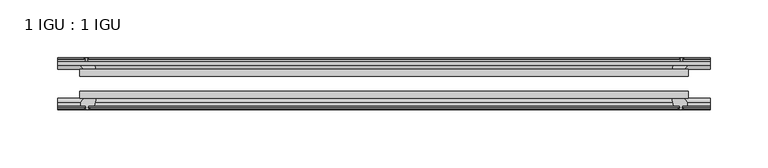
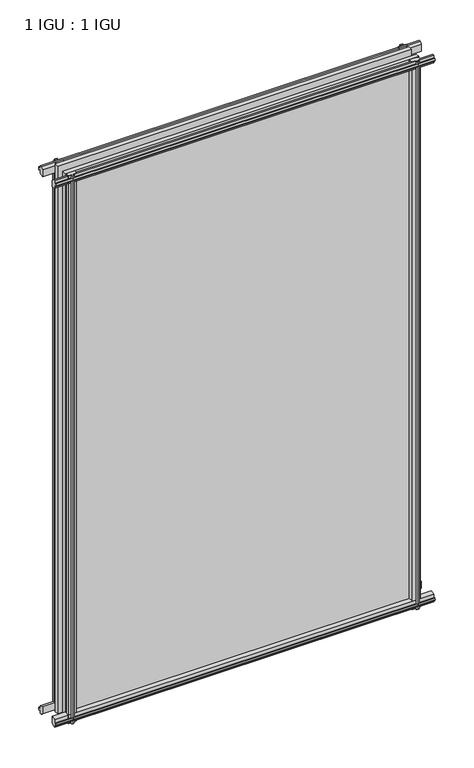
"""IFC4 building model written with IfcOpenShell, lengths in millimetres: plate geometry, 1 IGU : 1 IGU."""

from ifc_helpers import new_model, si_unit, frame, origin, place, context, project, spatial, polyline, outline, extrude, source, transform, mapped, element, save


def plate_1_igu_1_igu_5af8907a(model_context):
    return source(origin(), model_context, "Body", "SweptSolid", [
        extrude(outline(polyline([(-263.5237721, -38.6468937), (263.5237721, -38.6468937), (263.5237721, -44.9460938), (-263.5237721, -44.9460938), (-263.5237721, -38.6468937)])), frame((0.0, 0.0, -12.7), z_axis=(0.0, 0.0, 1.0), x_axis=(1.0, 0.0, 0.0)), (0.0, 0.0, 1.0), 863.5872996),
        extrude(outline(polyline([(-263.5237721, -19.5460937), (263.5237721, -19.5460937), (263.5237721, -25.8960938), (-263.5237721, -25.8960938), (-263.5237721, -19.5460937)])), frame((0.0, 0.0, -12.7), z_axis=(0.0, 0.0, 1.0), x_axis=(1.0, 0.0, 0.0)), (0.0, 0.0, 1.0), 863.5872996),
        extrude(outline(polyline([(-44.9460937, 1.7177181), (-44.9460937, -9.1036578), (-48.3496937, -11.938), (-51.2960937, -11.938), (-51.2960937, -7.493), (-53.6762907, -7.112), (-53.2163575, -8.5275291), (-54.0175717, -8.5275291), (-54.7250937, -6.35), (-54.0175717, -4.1724709), (-53.2163575, -4.1724709), (-53.6762907, -5.588), (-51.2960937, -5.207), (-51.2960937, 0.0), (-44.9460937, 1.7177181)])), frame((-282.5737721, 0.0, 0.0), z_axis=(1.0, 0.0, 0.0), x_axis=(0.0, 1.0, 0.0)), (0.0, 0.0, 1.0), 565.1475441),
        extrude(outline(polyline([(-13.1960937, -12.4587), (-16.1424937, -12.4587), (-19.5460937, -9.6243578), (-19.5460937, 1.1970181), (-13.1960937, -0.5207), (-13.1960937, -5.7277), (-10.8158968, -6.1087), (-11.27583, -4.6931709), (-10.4746158, -4.6931709), (-9.7670937, -6.8707), (-10.4746158, -9.0482291), (-11.27583, -9.0482291), (-10.8158968, -7.6327), (-13.1960937, -8.0137), (-13.1960937, -12.4587)])), frame((-282.5737721, 0.0, 0.0), z_axis=(1.0, 0.0, 0.0), x_axis=(0.0, 1.0, 0.0)), (0.0, 0.0, 1.0), 565.1475441),
        extrude(outline(polyline([(-51.2960937, 850.1252996), (-48.3496937, 850.1252996), (-44.9460937, 847.2909574), (-44.9460937, 836.4695815), (-51.2960937, 838.1872996), (-51.2960937, 843.3942996), (-53.6762907, 843.7752996), (-53.2163575, 842.3597706), (-54.0175717, 842.3597706), (-54.7250937, 844.5372996), (-54.0175717, 846.7148287), (-53.2163575, 846.7148287), (-53.6762907, 845.2992996), (-51.2960937, 845.6802996), (-51.2960937, 850.1252996)])), frame((-282.5737721, 0.0, 0.0), z_axis=(1.0, 0.0, 0.0), x_axis=(0.0, 1.0, 0.0)), (0.0, 0.0, 1.0), 565.1475441),
        extrude(outline(polyline([(-19.5460937, 836.9902815), (-19.5460937, 847.8116574), (-16.1424937, 850.6459996), (-13.1960937, 850.6459996), (-13.1960937, 846.2009996), (-10.8158968, 845.8199996), (-11.27583, 847.2355287), (-10.4746158, 847.2355287), (-9.7670937, 845.0579996), (-10.4746158, 842.8804706), (-11.27583, 842.8804706), (-10.8158968, 844.2959996), (-13.1960937, 843.9149996), (-13.1960937, 838.7079996), (-19.5460937, 836.9902815)])), frame((-282.5737721, 0.0, 0.0), z_axis=(1.0, 0.0, 0.0), x_axis=(0.0, 1.0, 0.0)), (0.0, 0.0, 1.0), 565.1475441),
        extrude(outline(polyline([(249.626754, -19.5460938), (251.3444721, -13.1960938), (256.5514721, -13.1960938), (256.9324721, -10.8158968), (255.516943, -11.27583), (255.516943, -10.4746158), (257.6944721, -9.7670938), (259.8720011, -10.4746158), (259.8720011, -11.27583), (258.4564721, -10.8158968), (258.8374721, -13.1960938), (263.2824721, -13.1960938), (263.2824721, -16.1424938), (260.4481299, -19.5460938), (249.626754, -19.5460938)])), frame((0.0, 0.0, -12.7), z_axis=(0.0, 0.0, 1.0), x_axis=(1.0, 0.0, 0.0)), (0.0, 0.0, 1.0), 863.5872998),
        extrude(outline(polyline([(249.106054, -44.9460938), (259.9274299, -44.9460938), (262.7617721, -48.3496938), (262.7617721, -51.2960938), (258.3167721, -51.2960938), (257.9357721, -53.6762907), (259.3513011, -53.2163575), (259.3513011, -54.0175717), (257.1737721, -54.7250938), (254.996243, -54.0175717), (254.996243, -53.2163575), (256.4117721, -53.6762907), (256.0307721, -51.2960938), (250.8237721, -51.2960938), (249.106054, -44.9460938)])), frame((0.0, 0.0, -12.7), z_axis=(0.0, 0.0, 1.0), x_axis=(1.0, 0.0, 0.0)), (0.0, 0.0, 1.0), 863.5872998),
        extrude(outline(polyline([(-257.6944721, -9.7670937), (-255.516943, -10.4746158), (-255.516943, -11.27583), (-256.9324721, -10.8158968), (-256.5514721, -13.1960937), (-251.3444721, -13.1960937), (-249.626754, -19.5460937), (-260.4481299, -19.5460937), (-263.2824721, -16.1424937), (-263.2824721, -13.1960937), (-258.8374721, -13.1960937), (-258.4564721, -10.8158968), (-259.8720011, -11.27583), (-259.8720011, -10.4746158), (-257.6944721, -9.7670937)])), frame((0.0, 0.0, -12.7), z_axis=(0.0, 0.0, 1.0), x_axis=(1.0, 0.0, 0.0)), (0.0, 0.0, 1.0), 863.5872998),
        extrude(outline(polyline([(-262.7617721, -48.3496937), (-259.9274299, -44.9460937), (-249.106054, -44.9460937), (-250.8237721, -51.2960937), (-256.0307721, -51.2960937), (-256.4117721, -53.6762907), (-254.996243, -53.2163575), (-254.996243, -54.0175717), (-257.1737721, -54.7250937), (-259.3513011, -54.0175717), (-259.3513011, -53.2163575), (-257.9357721, -53.6762907), (-258.3167721, -51.2960937), (-262.7617721, -51.2960937), (-262.7617721, -48.3496937)])), frame((0.0, 0.0, -12.7), z_axis=(0.0, 0.0, 1.0), x_axis=(1.0, 0.0, 0.0)), (0.0, 0.0, 1.0), 863.5872998),
    ])


if __name__ == "__main__":
    model = new_model("IFC4")
    model_context = context("Model", 3, world=origin())
    ifc_project = project(units=[si_unit("LENGTHUNIT", "METRE", prefix="MILLI")], contexts=[model_context])
    site = spatial("IfcSite", under=ifc_project)
    building = spatial("IfcBuilding", under=site)
    placement = place(None, origin())
    plate_1_igu_1_igu_shape = plate_1_igu_1_igu_5af8907a(model_context)
    element("IfcPlate", 1, ObjectType="1 IGU : 1 IGU", at=placement, inside=building, context=model_context, shape_type="MappedRepresentation", body=[
        mapped(plate_1_igu_1_igu_shape, transform((0.0, 0.0, 0.0), x_axis=(1.0, 0.0, 0.0), y_axis=(0.0, 1.0, 0.0), z_axis=(0.0, 0.0, 1.0))),
    ])
    save(model, "model.ifc")
